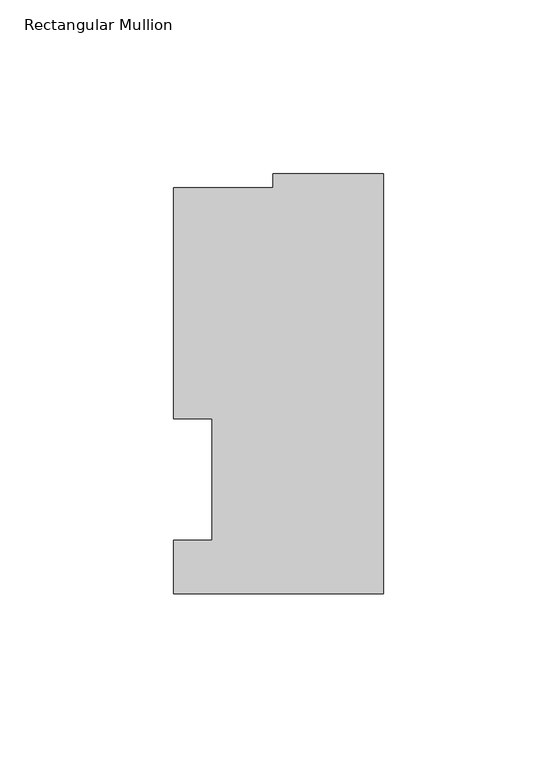
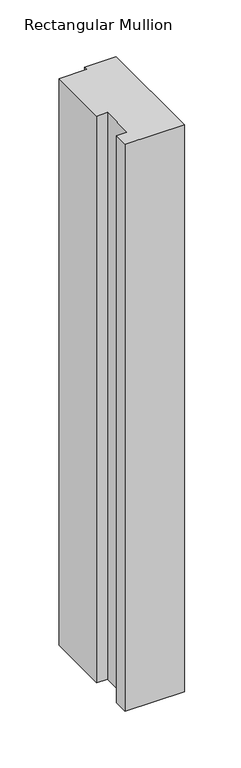
"""IFC4 building model written with IfcOpenShell, lengths in millimetres: member geometry, Rectangular Mullion."""

from ifc_helpers import new_model, si_unit, frame, origin, place, context, project, spatial, polyline, outline, extrude, source, transform, mapped, element, save


def rectangular_mullion_28a95602(model_context):
    return source(origin(), model_context, "Body", "SweptSolid", [
        extrude(outline(polyline([(0.0, -3.2607699), (-60.3251015, -3.2607699), (-60.3251015, 12.157075), (-49.2253015, 12.157075), (-49.2253015, 47.0820478), (-60.3251015, 47.0820478), (-60.3251015, 113.5030478), (-31.7501015, 113.5030478), (-31.7501015, 117.516275), (0.0, 117.516275), (0.0, -3.2607699)])), frame((0.0, 0.0, -609.6), z_axis=(0.0, 0.0, 1.0), x_axis=(1.0, 0.0, 0.0)), (0.0, 0.0, 1.0), 609.6),
    ])


if __name__ == "__main__":
    model = new_model("IFC4")
    model_context = context("Model", 3, world=origin())
    ifc_project = project(units=[si_unit("LENGTHUNIT", "METRE", prefix="MILLI")], contexts=[model_context])
    site = spatial("IfcSite", under=ifc_project)
    building = spatial("IfcBuilding", under=site)
    placement = place(None, origin())
    rectangular_mullion_shape = rectangular_mullion_28a95602(model_context)
    element("IfcMember", 1, ObjectType="Rectangular Mullion", at=placement, inside=building, context=model_context, shape_type="MappedRepresentation", body=[
        mapped(rectangular_mullion_shape, transform((0.0, 0.0, 0.0), x_axis=(1.0, 0.0, 0.0), y_axis=(0.0, 1.0, 0.0), z_axis=(0.0, 0.0, 1.0))),
    ])
    save(model, "model.ifc")
